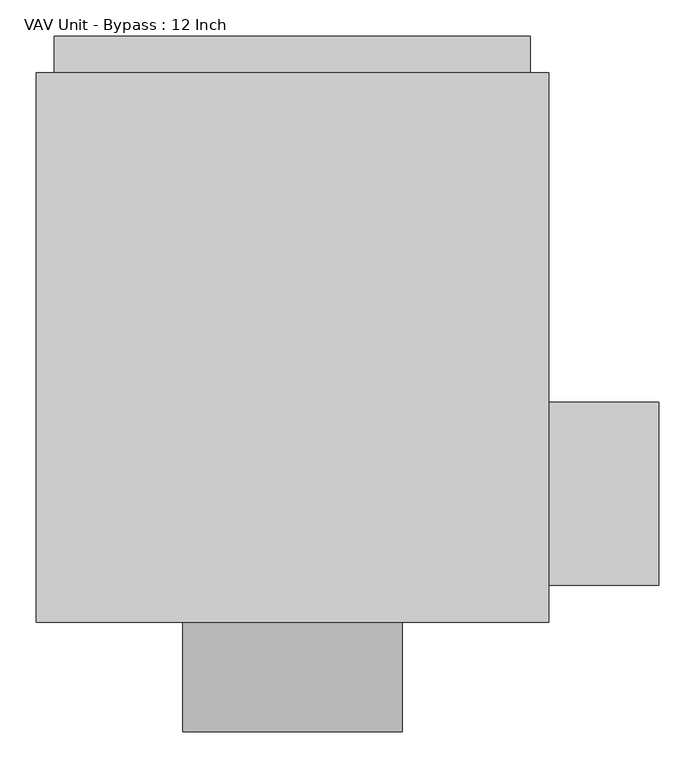
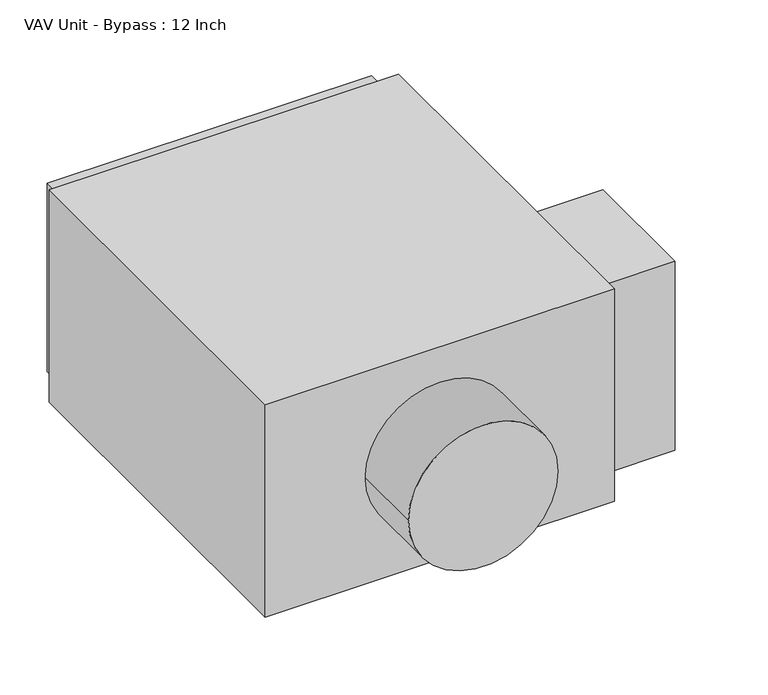
"""IFC4 building model written with IfcOpenShell, lengths in millimetres: proxy geometry, VAV Unit - Bypass : 12 Inch."""

from ifc_helpers import new_model, si_unit, point, frame, origin, origin_2d, place, context, project, spatial, polyline, circle_curve, trimmed, segment, composite_curve, outline, extrude, source, transform, mapped, element, save


def vav_unit_bypass_12_inch_4791c93e(model_context):
    return source(origin(), model_context, "Body", "SweptSolid", [
        extrude(outline(polyline([(508.0, -330.2), (355.6, -330.2), (355.6, -76.2), (508.0, -76.2), (508.0, -330.2)])), frame((0.0, 0.0, -203.2), z_axis=(0.0, 0.0, 1.0), x_axis=(1.0, 0.0, 0.0)), (0.0, 0.0, 1.0), 406.4),
        extrude(outline(composite_curve([segment(trimmed(circle_curve(origin_2d(), 152.4), [point((0.0, -152.4))], [point((0.0, 152.4))], False, "CARTESIAN"), True, "CONTINUOUS"), segment(trimmed(circle_curve(origin_2d(), 152.4), [point((0.0, 152.4))], [point((0.0, -152.4))], False, "CARTESIAN"), True, "CONTINUOUS")], self_intersect=False)), frame((0.0, -533.4, 0.0), z_axis=(0.0, 1.0, 0.0), x_axis=(0.0, 0.0, 1.0)), (0.0, 0.0, 1.0), 152.4),
        extrude(outline(polyline([(330.2, 431.8), (330.2, 381.0), (-330.2, 381.0), (-330.2, 431.8), (330.2, 431.8)])), frame((0.0, 0.0, -203.2), z_axis=(0.0, 0.0, 1.0), x_axis=(1.0, 0.0, 0.0)), (0.0, 0.0, 1.0), 406.4),
        extrude(outline(polyline([(355.6, 381.0), (355.6, -381.0), (-355.6, -381.0), (-355.6, 381.0), (355.6, 381.0)])), frame((0.0, 0.0, -228.6), z_axis=(0.0, 0.0, 1.0), x_axis=(1.0, 0.0, 0.0)), (0.0, 0.0, 1.0), 457.2),
    ])


if __name__ == "__main__":
    model = new_model("IFC4")
    model_context = context("Model", 3, world=origin())
    ifc_project = project(units=[si_unit("LENGTHUNIT", "METRE", prefix="MILLI")], contexts=[model_context])
    site = spatial("IfcSite", under=ifc_project)
    building = spatial("IfcBuilding", under=site)
    placement = place(None, origin())
    vav_unit_bypass_12_inch_shape = vav_unit_bypass_12_inch_4791c93e(model_context)
    element("IfcBuildingElementProxy", 1, Name="VAV Unit - Bypass : 12 Inch", ObjectType="VAV Unit - Bypass : 12 Inch", at=placement, inside=building, context=model_context, shape_type="MappedRepresentation", body=[
        mapped(vav_unit_bypass_12_inch_shape, transform((0.0, 0.0, 0.0), x_axis=(1.0, 0.0, 0.0), y_axis=(0.0, 1.0, 0.0), z_axis=(0.0, 0.0, 1.0))),
    ])
    save(model, "model.ifc")
